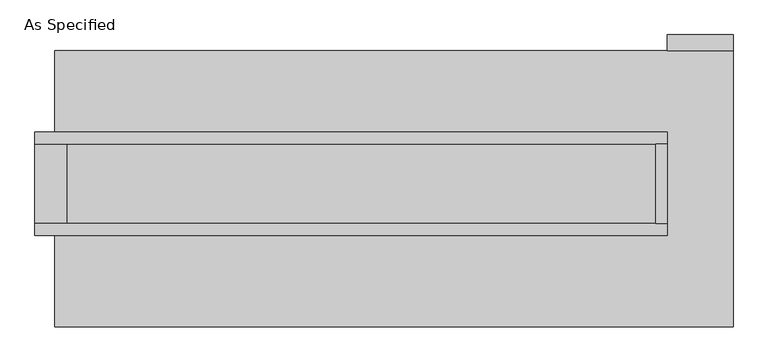
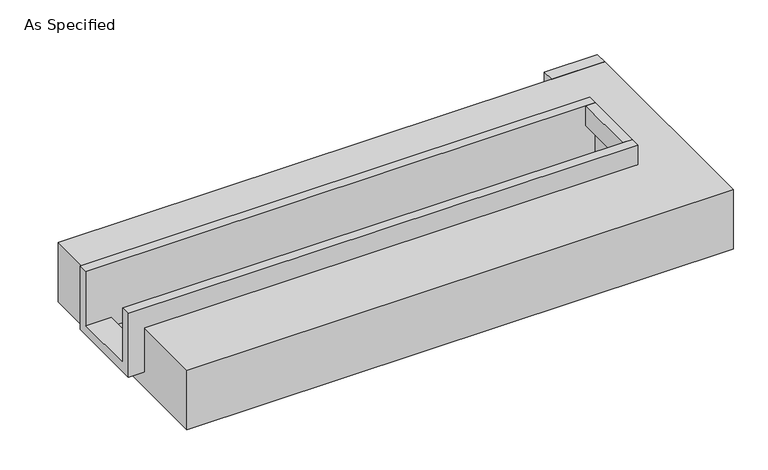
"""IFC4 building model written with IfcOpenShell, lengths in millimetres: proxy geometry, As Specified."""

import ifcopenshell
import ifcopenshell.guid

model = None  # the IFC model being written
_history = None  # IfcOwnerHistory: only IFC2X3 demands one
_inside = {}  # id of a spatial element -> (the spatial element, [elements in it])
_under = {}  # id of a project, library or spatial element -> (it, [spatial elements below it])
_declared = {}  # id of a project -> (the project, [libraries it declares])
_typed = {}  # id of a type object -> (the type object, [elements of that type])
_made_of = {}  # id of a material, layer set ... -> (it, [elements and type objects made of it])


def new_model(schema):
    """Start an empty IFC model of exactly this schema.

    Asked for "IFC4X3", IfcOpenShell would pick the latest addendum, in which some entities
    have other attributes; the version numbers below select the first issue.
    IFC2X3 requires an IfcOwnerHistory on every rooted entity: one is made here for all.
    """
    global model, _history
    if schema == "IFC4X3":
        model = ifcopenshell.file(schema_version=(4, 3, 0, 0))
    else:
        model = ifcopenshell.file(schema=schema)
    _inside.clear()
    _under.clear()
    _declared.clear()
    _typed.clear()
    _made_of.clear()
    _history = None
    if model.schema == "IFC2X3":
        org = make("IfcOrganization", Name="unknown")
        user = make(
            "IfcPersonAndOrganization",
            ThePerson=make("IfcPerson", FamilyName="unknown"),
            TheOrganization=org,
        )
        app = make(
            "IfcApplication",
            ApplicationDeveloper=org,
            Version="unknown",
            ApplicationFullName="unknown",
            ApplicationIdentifier="unknown",
        )
        _history = make(
            "IfcOwnerHistory",
            OwningUser=user,
            OwningApplication=app,
            ChangeAction="ADDED",
            CreationDate=0,
        )
    return model


def make(cls, **values):
    """One entity of the class cls with the attributes given. An attribute that is None is left unset."""
    return model.create_entity(
        cls, **{name: value for name, value in values.items() if value is not None}
    )


def rooted(cls, **values):
    """An entity with a GlobalId (a new one), such as an element, a storey or a relation."""
    return make(cls, GlobalId=ifcopenshell.guid.new(), OwnerHistory=_history, **values)


def si_unit(unit_type, name, prefix=None):
    """IfcSIUnit, for example si_unit("LENGTHUNIT", "METRE", prefix="MILLI")."""
    return make("IfcSIUnit", UnitType=unit_type, Prefix=prefix, Name=name)


def assignment(units):
    """IfcUnitAssignment: the units of a project."""
    return None if units is None else make("IfcUnitAssignment", Units=units)


def point(xyz):
    """IfcCartesianPoint."""
    return None if xyz is None else make("IfcCartesianPoint", Coordinates=xyz)


def direction(xyz):
    """IfcDirection."""
    return None if xyz is None else make("IfcDirection", DirectionRatios=xyz)


def frame(location, z_axis=None, x_axis=None):
    """IfcAxis2Placement3D, a coordinate frame: its origin and axes. An axis left out is left unset."""
    return make(
        "IfcAxis2Placement3D",
        Location=point(location),
        Axis=direction(z_axis),
        RefDirection=direction(x_axis),
    )


def origin():
    """The frame at (0, 0, 0) with its axes left unset."""
    return frame((0.0, 0.0, 0.0))


def place(relative_to, where):
    """IfcLocalPlacement: puts the frame where relative to a parent placement (None: the world)."""
    return make(
        "IfcLocalPlacement", PlacementRelTo=relative_to, RelativePlacement=where
    )


def context(
    kind, dimensions, precision=None, world=None, true_north=None, identifier=None
):
    """IfcGeometricRepresentationContext, for example the 3D "Model" context."""
    return make(
        "IfcGeometricRepresentationContext",
        ContextIdentifier=identifier,
        ContextType=kind,
        CoordinateSpaceDimension=dimensions,
        Precision=precision,
        WorldCoordinateSystem=world,
        TrueNorth=true_north,
    )


def project(units=None, contexts=None):
    """IfcProject with its units and contexts."""
    return rooted(
        "IfcProject",
        Name="project",
        RepresentationContexts=contexts,
        UnitsInContext=assignment(units),
    )


def spatial(cls, under=None, at=None, **own):
    """A site, building, storey or space (cls), placed at a placement, below another one or the project."""
    s = rooted(cls, ObjectPlacement=at, **own)
    if under is not None:
        _under.setdefault(under.id(), (under, []))[1].append(s)
    return s


def polyline(points):
    """IfcPolyline through the points."""
    return make("IfcPolyline", Points=[point(p) for p in points])


def outline(outer, holes=None, kind="AREA"):
    """IfcArbitraryClosedProfileDef: a profile drawn as a closed curve; with holes, ...WithVoids."""
    if holes is None:
        return make("IfcArbitraryClosedProfileDef", ProfileType=kind, OuterCurve=outer)
    return make(
        "IfcArbitraryProfileDefWithVoids",
        ProfileType=kind,
        OuterCurve=outer,
        InnerCurves=holes,
    )


def extrude(swept, where, along, depth):
    """IfcExtrudedAreaSolid: the profile swept, set in the frame where, extruded along a direction by depth."""
    return make(
        "IfcExtrudedAreaSolid",
        SweptArea=swept,
        Position=where,
        ExtrudedDirection=direction(along),
        Depth=depth,
    )


def faces_of(points, faces, orient=None, outer=None):
    """IfcFace entities. A face is a list of loops; a loop is a list of indices into points, from 0.

    orient and outer hold one flag for each loop. By default every Orientation is true, the
    first loop of a face is its IfcFaceOuterBound and the others are IfcFaceBound.
    """
    made = []
    for i, loops in enumerate(faces):
        bounds = []
        for j, loop in enumerate(loops):
            is_outer = j == 0 if outer is None else outer[i][j]
            bounds.append(
                make(
                    "IfcFaceOuterBound" if is_outer else "IfcFaceBound",
                    Bound=make("IfcPolyLoop", Polygon=[points[k] for k in loop]),
                    Orientation=True if orient is None else orient[i][j],
                )
            )
        made.append(make("IfcFace", Bounds=bounds))
    return made


def faceted_brep(points, faces, orient=None, outer=None, voids=None):
    """IfcFacetedBrep: a solid bounded by flat faces; with voids (closed shells), ...WithVoids."""
    shared = [point(p) for p in points]
    hull = make("IfcClosedShell", CfsFaces=faces_of(shared, faces, orient, outer))
    if voids is None:
        return make("IfcFacetedBrep", Outer=hull)
    return make(
        "IfcFacetedBrepWithVoids",
        Outer=hull,
        Voids=[
            make(cls, CfsFaces=faces_of(shared, fs, o, b)) for cls, fs, o, b in voids
        ],
    )


def shape(context_of_items, identifier, shape_type, items):
    """IfcShapeRepresentation: the items that make up one representation, for example the "Body"."""
    return make(
        "IfcShapeRepresentation",
        ContextOfItems=context_of_items,
        RepresentationIdentifier=identifier,
        RepresentationType=shape_type,
        Items=items,
    )


def source(mapping_origin, context_of_items, identifier, shape_type, items):
    """IfcRepresentationMap: a shape defined once, which mapped items show again and again."""
    return make(
        "IfcRepresentationMap",
        MappingOrigin=mapping_origin,
        MappedRepresentation=shape(context_of_items, identifier, shape_type, items),
    )


def transform(
    local_origin,
    x_axis=None,
    y_axis=None,
    z_axis=None,
    scale=None,
    scale2=None,
    scale3=None,
    uniform=True,
):
    """IfcCartesianTransformationOperator3D, or its non-uniform kind. x_axis, y_axis, z_axis: its Axis1, 2, 3."""
    if uniform:
        return make(
            "IfcCartesianTransformationOperator3D",
            Axis1=direction(x_axis),
            Axis2=direction(y_axis),
            LocalOrigin=point(local_origin),
            Scale=scale,
            Axis3=direction(z_axis),
        )
    return make(
        "IfcCartesianTransformationOperator3DnonUniform",
        Axis1=direction(x_axis),
        Axis2=direction(y_axis),
        LocalOrigin=point(local_origin),
        Scale=scale,
        Axis3=direction(z_axis),
        Scale2=scale2,
        Scale3=scale3,
    )


def mapped(mapping_source, mapping_target):
    """IfcMappedItem: shows the shape of a source again, moved by a transform."""
    return make(
        "IfcMappedItem", MappingSource=mapping_source, MappingTarget=mapping_target
    )


def made_of(thing, what):
    """Note that an element or type object is made of a material, layer set ...; save() writes the relation."""
    if what is not None:
        _made_of.setdefault(what.id(), (what, []))[1].append(thing)
    return thing


def element(
    cls,
    number,
    at=None,
    inside=None,
    cuts=None,
    type_object=None,
    material=None,
    context=None,
    identifier="Body",
    shape_type=None,
    held_by="IfcProductDefinitionShape",
    body=None,
    shapes=None,
    **own,
):
    """One element of the class cls, such as IfcWall. Its Tag is "e" and its number.

    at: its placement. inside: the storey or other place that contains it. cuts: it is an
    opening in that element (IfcRelVoidsElement). A single representation is given by context,
    identifier, shape_type and body (its items); several are given by shapes. held_by: the class
    of the entity that holds the representations. save() writes the other relations.
    """
    e = rooted(cls, Tag="e%d" % number, ObjectPlacement=at, **own)
    if body is not None:
        shapes = [shape(context, identifier, shape_type, body)]
    if shapes is not None:
        e.Representation = make(held_by, Representations=shapes)
    if inside is not None:
        _inside.setdefault(inside.id(), (inside, []))[1].append(e)
    if cuts is not None:
        rooted(
            "IfcRelVoidsElement", RelatingBuildingElement=cuts, RelatedOpeningElement=e
        )
    if type_object is not None:
        _typed.setdefault(type_object.id(), (type_object, []))[1].append(e)
    return made_of(e, material)


def aggregate(whole, parts):
    """IfcRelAggregates: a whole, such as a stair, and the parts it consists of."""
    return rooted("IfcRelAggregates", RelatingObject=whole, RelatedObjects=parts)


def save(model, path):
    """Write the relations noted so far, then the file.

    IfcRelAggregates (storeys below a building ...), IfcRelContainedInSpatialStructure (elements
    in a storey), IfcRelDefinesByType, IfcRelAssociatesMaterial and IfcRelDeclares: one each for
    every whole, place, type object, material and project.
    """
    for whole, parts in _under.values():
        aggregate(whole, parts)
    for where, things in _inside.values():
        rooted(
            "IfcRelContainedInSpatialStructure",
            RelatedElements=things,
            RelatingStructure=where,
        )
    for kind, things in _typed.values():
        rooted("IfcRelDefinesByType", RelatedObjects=things, RelatingType=kind)
    for what, things in _made_of.values():
        rooted("IfcRelAssociatesMaterial", RelatedObjects=things, RelatingMaterial=what)
    for by, libraries in _declared.values():
        rooted("IfcRelDeclares", RelatingContext=by, RelatedDefinitions=libraries)
    model.write(path)


def as_specified_aa77b96a(model_context):
    return source(origin(), model_context, "Body", "SolidModel", [
        extrude(outline(polyline([(2292.35, 882.65), (1873.25, 882.65), (1873.25, 984.25), (2292.35, 984.25), (2292.35, 882.65)])), frame((0.0, 0.0, -523.9742188), z_axis=(0.0, 0.0, 1.0), x_axis=(1.0, 0.0, 0.0)), (0.0, 0.0, 1.0), 498.5742188),
        extrude(outline(polyline([(1797.05, 285.75), (1873.25, 285.75), (1873.25, -222.25), (1797.05, -222.25), (1797.05, 285.75)])), frame((0.0, 0.0, -25.4), z_axis=(0.0, 0.0, 1.0), x_axis=(1.0, 0.0, 0.0)), (0.0, 0.0, 1.0), 165.1),
        faceted_brep([(1873.25, 285.75, 139.7), (1873.25, 285.75, -317.5), (1873.25, -222.25, -317.5), (1873.25, -222.25, 139.7), (1873.25, -298.45, 139.7), (1873.25, -298.45, -393.7), (1873.25, 361.95, -393.7), (1873.25, 361.95, 139.7), (-2165.35, 285.75, 139.7), (-2165.35, 361.95, 139.7), (-2165.35, 361.95, -393.7), (-2165.35, -298.45, -393.7), (-2165.35, -298.45, 139.7), (-2165.35, -222.25, 139.7), (-2165.35, -222.25, -317.5), (-2165.35, 285.75, -317.5), (-1962.15, 285.75, -393.7), (-1962.15, -222.25, -393.7), (1797.05, -222.25, -393.7), (1797.05, 285.75, -393.7), (1797.05, -222.25, -317.5), (-1962.15, -222.25, -317.5), (1797.05, 285.75, -317.5), (-1962.15, 285.75, -317.5)], [[[0, 1, 2, 3, 4, 5, 6, 7]], [[8, 9, 10, 11, 12, 13, 14, 15]], [[0, 7, 9, 8]], [[7, 6, 10, 9]], [[6, 5, 11, 10], [16, 17, 18, 19]], [[4, 3, 13, 12]], [[3, 2, 20, 18, 17, 21, 14, 13]], [[2, 1, 22, 20]], [[15, 14, 21, 23]], [[1, 0, 8, 15, 23, 16, 19, 22]], [[21, 17, 16, 23]], [[18, 20, 22, 19]], [[5, 4, 12, 11]]]),
        faceted_brep([(2292.35, 882.65, -523.9742188), (2292.35, -882.65, -523.9742188), (-2038.35, -882.65, -523.9742188), (-2038.35, 882.65, -523.9742188), (-2038.35, 882.65, -25.4), (-2038.35, 361.95, -25.4), (1873.25, 361.95, -25.4), (1873.25, -298.45, -25.4), (-2038.35, -298.45, -25.4), (-2038.35, -882.65, -25.4), (2292.35, -882.65, -25.4), (2292.35, 882.65, -25.4), (-2038.35, -298.45, -393.7), (-2038.35, 361.95, -393.7), (1873.25, 361.95, -393.7), (1873.25, -298.45, -393.7)], [[[0, 1, 2, 3]], [[4, 5, 6, 7, 8, 9, 10, 11]], [[0, 3, 4, 11]], [[4, 3, 2, 9, 8, 12, 13, 5]], [[2, 1, 10, 9]], [[14, 15, 7, 6]], [[13, 14, 6, 5]], [[15, 14, 13, 12]], [[15, 12, 8, 7]], [[1, 0, 11, 10]]]),
    ])


if __name__ == "__main__":
    model = new_model("IFC4")
    model_context = context("Model", 3, world=origin())
    ifc_project = project(units=[si_unit("LENGTHUNIT", "METRE", prefix="MILLI")], contexts=[model_context])
    site = spatial("IfcSite", under=ifc_project)
    building = spatial("IfcBuilding", under=site)
    placement = place(None, origin())
    as_specified_shape = as_specified_aa77b96a(model_context)
    element("IfcBuildingElementProxy", 1, Name="As Specified", ObjectType="As Specified", at=placement, inside=building, context=model_context, shape_type="MappedRepresentation", body=[
        mapped(as_specified_shape, transform((0.0, 0.0, 0.0), x_axis=(1.0, 0.0, 0.0), y_axis=(0.0, 1.0, 0.0), z_axis=(0.0, 0.0, 1.0))),
    ])
    save(model, "model.ifc")
